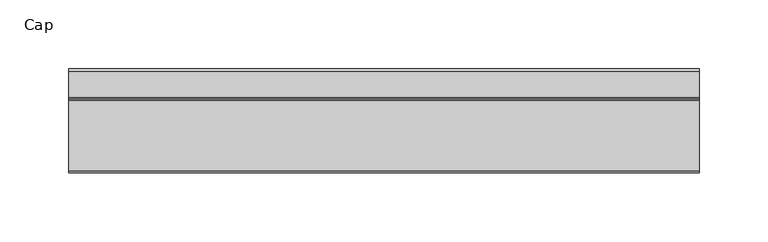
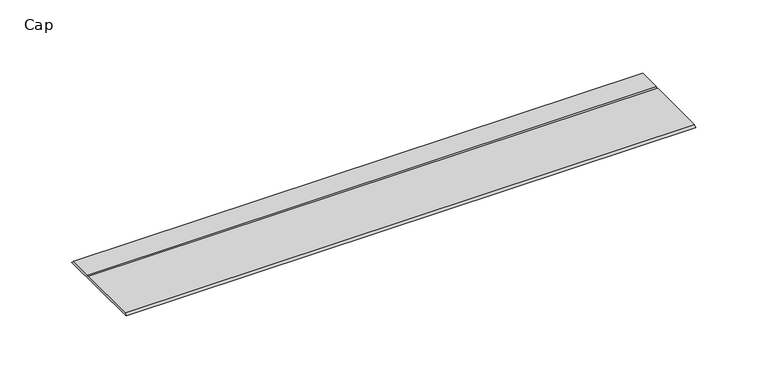
"""IFC4 building model written with IfcOpenShell, lengths in millimetres: furniture geometry, Cap."""

from ifc_helpers import new_model, si_unit, frame, origin, place, context, project, spatial, polyline, outline, extrude, source, transform, mapped, element, save


def cap_c4603204(model_context):
    return source(origin(), model_context, "Body", "SweptSolid", [
        extrude(outline(polyline([(-15.5565637, 0.0), (-13.9690637, 1.5875), (37.2171998, 1.5875), (38.1255324, 0.6791674), (39.033865, 1.5875), (58.0797005, 1.5875), (59.951805, 0.0), (-15.5565637, 0.0)])), frame((-198.6228469, 0.0, 0.0), z_axis=(1.0, 0.0, 0.0), x_axis=(0.0, 1.0, 0.0)), (0.0, 0.0, 1.0), 457.2),
    ])


if __name__ == "__main__":
    model = new_model("IFC4")
    model_context = context("Model", 3, world=origin())
    ifc_project = project(units=[si_unit("LENGTHUNIT", "METRE", prefix="MILLI")], contexts=[model_context])
    site = spatial("IfcSite", under=ifc_project)
    building = spatial("IfcBuilding", under=site)
    placement = place(None, origin())
    cap_shape = cap_c4603204(model_context)
    element("IfcFurniture", 1, ObjectType="Cap", at=placement, inside=building, context=model_context, shape_type="MappedRepresentation", body=[
        mapped(cap_shape, transform((0.0, 0.0, 0.0), x_axis=(1.0, 0.0, 0.0), y_axis=(0.0, 1.0, 0.0), z_axis=(0.0, 0.0, 1.0))),
    ])
    save(model, "model.ifc")
